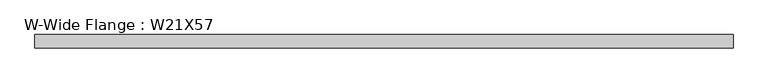
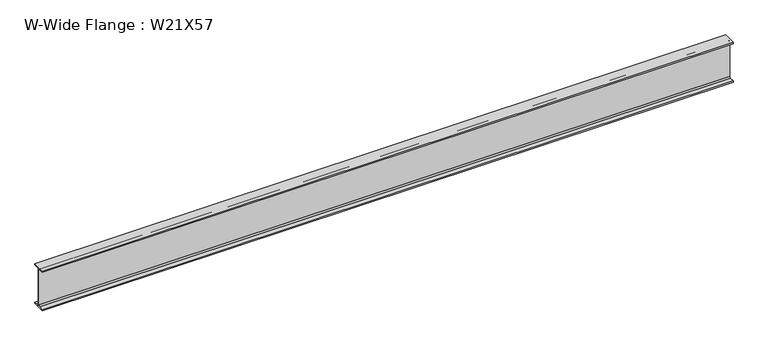
"""IFC4 building model written with IfcOpenShell, lengths in millimetres: beam geometry, W-Wide Flange : W21X57."""

from ifc_helpers import new_model, si_unit, point, frame, frame_2d, origin, place, context, project, spatial, polyline, circle_curve, trimmed, segment, composite_curve, outline, extrude, source, transform, mapped, element, save


def w_wide_flange_w21x57_8a334d7a(model_context):
    return source(origin(), model_context, "Body", "SweptSolid", [
        extrude(outline(composite_curve([segment(polyline([(83.2941406, -251.5195313), (83.2941406, -267.9898438), (-83.2941406, -267.9898438), (-83.2941406, -251.5195313), (-22.0265625, -251.5195313)]), True, "CONTINUOUS"), segment(trimmed(circle_curve(frame_2d((-22.0265625, -234.6523438)), 16.8671875), [point((-22.0265625, -251.5195313))], [point((-5.159375, -234.6523438))], True, "CARTESIAN"), True, "CONTINUOUS"), segment(polyline([(-5.159375, -234.6523438), (-5.159375, 234.6523437)]), True, "CONTINUOUS"), segment(trimmed(circle_curve(frame_2d((-22.0265625, 234.6523437)), 16.8671875), [point((-5.159375, 234.6523437))], [point((-22.0265625, 251.5195312))], True, "CARTESIAN"), True, "CONTINUOUS"), segment(polyline([(-22.0265625, 251.5195312), (-83.2941406, 251.5195312), (-83.2941406, 267.9898437), (83.2941406, 267.9898437), (83.2941406, 251.5195312), (22.0265625, 251.5195312)]), True, "CONTINUOUS"), segment(trimmed(circle_curve(frame_2d((22.0265625, 234.6523437)), 16.8671875), [point((22.0265625, 251.5195312))], [point((5.159375, 234.6523437))], True, "CARTESIAN"), True, "CONTINUOUS"), segment(polyline([(5.159375, 234.6523437), (5.159375, -234.6523438)]), True, "CONTINUOUS"), segment(trimmed(circle_curve(frame_2d((22.0265625, -234.6523438)), 16.8671875), [point((5.159375, -234.6523438))], [point((22.0265625, -251.5195313))], True, "CARTESIAN"), True, "CONTINUOUS"), segment(polyline([(22.0265625, -251.5195313), (83.2941406, -251.5195313)]), True, "CONTINUOUS")], self_intersect=False)), frame((-4407.6441406, 0.0, 0.0), z_axis=(1.0, 0.0, 0.0), x_axis=(0.0, 1.0, 0.0)), (0.0, 0.0, 1.0), 8815.2882813),
    ])


if __name__ == "__main__":
    model = new_model("IFC4")
    model_context = context("Model", 3, world=origin())
    ifc_project = project(units=[si_unit("LENGTHUNIT", "METRE", prefix="MILLI")], contexts=[model_context])
    site = spatial("IfcSite", under=ifc_project)
    building = spatial("IfcBuilding", under=site)
    placement = place(None, origin())
    w_wide_flange_w21x57_shape = w_wide_flange_w21x57_8a334d7a(model_context)
    element("IfcBeam", 1, ObjectType="W-Wide Flange : W21X57", at=placement, inside=building, context=model_context, shape_type="MappedRepresentation", body=[
        mapped(w_wide_flange_w21x57_shape, transform((0.0, 0.0, 0.0), x_axis=(1.0, 0.0, 0.0), y_axis=(0.0, 1.0, 0.0), z_axis=(0.0, 0.0, 1.0))),
    ])
    save(model, "model.ifc")
